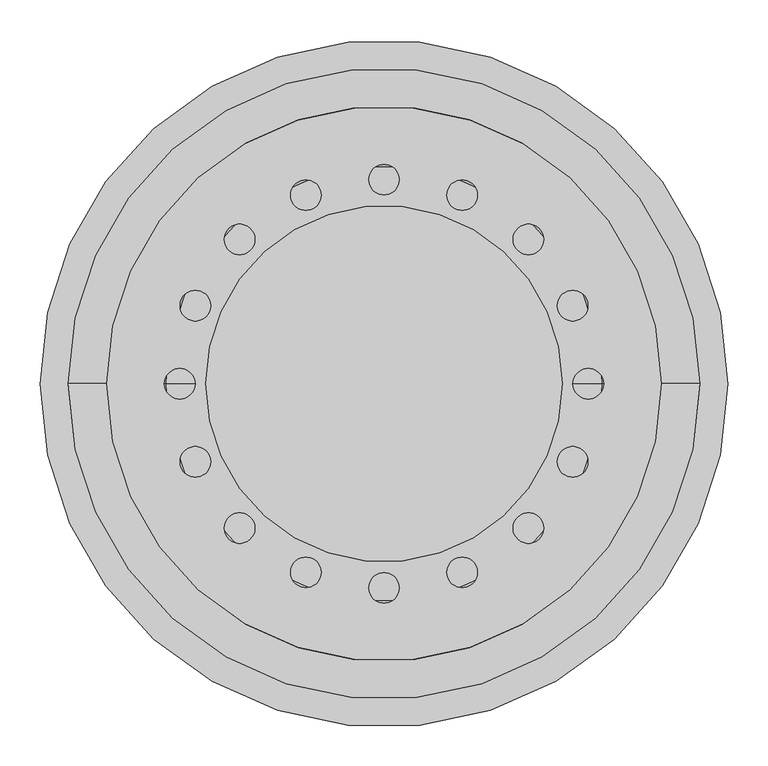
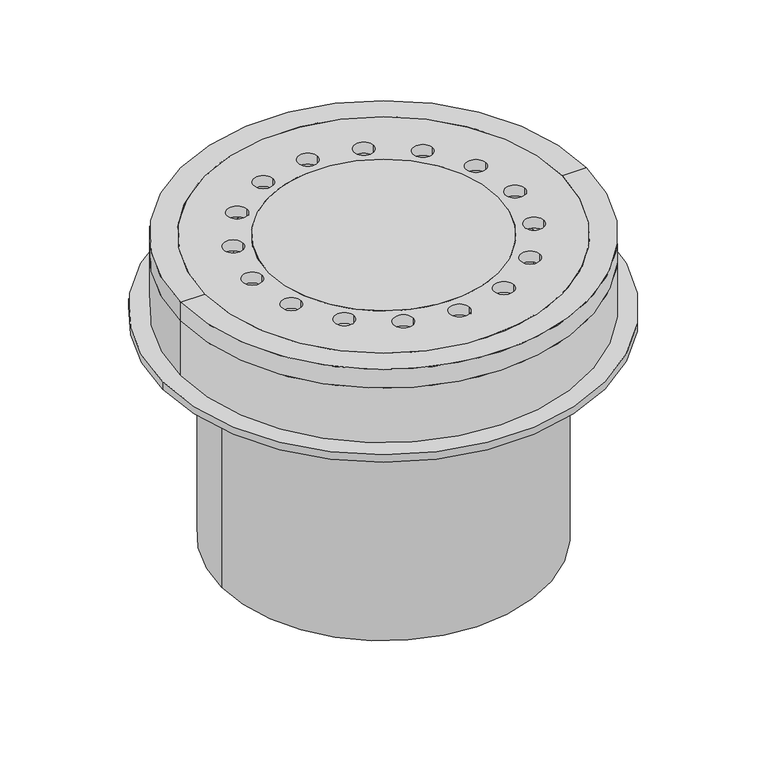
"""IFC4 building model written with IfcOpenShell, lengths in millimetres: proxy geometry."""

from ifc_helpers import new_model, si_unit, point, frame, frame_2d, origin, origin_2d, place, context, project, spatial, polyline, circle_curve, trimmed, segment, composite_curve, outline, extrude, source, transform, mapped, element, save
from ifc_brep_helpers import plane_surface, cylinder_surface, revolved_surface, advanced_brep


def specialty_equipment_2ff22e63(model_context):
    return source(origin(), model_context, "Body", "SolidModel", [
        extrude(outline(composite_curve([segment(trimmed(circle_curve(origin_2d(), 427.5), [point((-427.5, 0.0))], [point((427.5, 0.0))], False, "CARTESIAN"), True, "CONTINUOUS"), segment(trimmed(circle_curve(origin_2d(), 427.5), [point((427.5, 0.0))], [point((-427.5, 0.0))], False, "CARTESIAN"), True, "CONTINUOUS")], self_intersect=False), holes=[composite_curve([segment(trimmed(circle_curve(origin_2d(), 300.0), [point((-300.0, 0.0))], [point((300.0, 0.0))], True, "CARTESIAN"), True, "CONTINUOUS"), segment(trimmed(circle_curve(origin_2d(), 300.0), [point((300.0, 0.0))], [point((-300.0, 0.0))], True, "CARTESIAN"), True, "CONTINUOUS")], self_intersect=False)]), frame((0.0, 0.0, -164.9500624), z_axis=(0.0, 0.0, 1.0), x_axis=(1.0, 0.0, 0.0)), (0.0, 0.0, 1.0), 14.9500624),
        extrude(outline(composite_curve([segment(trimmed(circle_curve(origin_2d(), 313.0), [point((-313.0, 0.0))], [point((313.0, 0.0))], False, "CARTESIAN"), True, "CONTINUOUS"), segment(trimmed(circle_curve(origin_2d(), 313.0), [point((313.0, 0.0))], [point((-313.0, 0.0))], False, "CARTESIAN"), True, "CONTINUOUS")], self_intersect=False), holes=[composite_curve([segment(trimmed(circle_curve(origin_2d(), 300.0), [point((-300.0, 0.0))], [point((300.0, 0.0))], True, "CARTESIAN"), True, "CONTINUOUS"), segment(trimmed(circle_curve(origin_2d(), 300.0), [point((300.0, 0.0))], [point((-300.0, 0.0))], True, "CARTESIAN"), True, "CONTINUOUS")], self_intersect=False)]), frame((0.0, 0.0, -610.0), z_axis=(0.0, 0.0, 1.0), x_axis=(1.0, 0.0, 0.0)), (0.0, 0.0, 1.0), 445.0499376),
        extrude(outline(composite_curve([segment(trimmed(circle_curve(origin_2d(), 427.5), [point((-427.5, 0.0))], [point((427.5, 0.0))], False, "CARTESIAN"), True, "CONTINUOUS"), segment(trimmed(circle_curve(origin_2d(), 427.5), [point((427.5, 0.0))], [point((-427.5, 0.0))], False, "CARTESIAN"), True, "CONTINUOUS")], self_intersect=False), holes=[composite_curve([segment(trimmed(circle_curve(origin_2d(), 300.0), [point((-300.0, 0.0))], [point((300.0, 0.0))], True, "CARTESIAN"), True, "CONTINUOUS"), segment(trimmed(circle_curve(origin_2d(), 300.0), [point((300.0, 0.0))], [point((-300.0, 0.0))], True, "CARTESIAN"), True, "CONTINUOUS")], self_intersect=False)]), frame((0.0, 0.0, -164.9500624), z_axis=(0.0, 0.0, 1.0), x_axis=(1.0, 0.0, 0.0)), (0.0, 0.0, 1.0), 14.9500624),
        extrude(outline(composite_curve([segment(trimmed(circle_curve(origin_2d(), 221.5), [point((-221.5, 0.0))], [point((221.5, 0.0))], False, "CARTESIAN"), True, "CONTINUOUS"), segment(trimmed(circle_curve(origin_2d(), 221.5), [point((221.5, 0.0))], [point((-221.5, 0.0))], False, "CARTESIAN"), True, "CONTINUOUS")], self_intersect=False)), frame((0.0, 0.0, -21.8781268), z_axis=(0.0, 0.0, 1.0), x_axis=(1.0, 0.0, 0.0)), (0.0, 0.0, 1.0), 21.8781268),
        extrude(outline(composite_curve([segment(trimmed(circle_curve(origin_2d(), 345.0), [point((-345.0, 0.0))], [point((345.0, 0.0))], False, "CARTESIAN"), True, "CONTINUOUS"), segment(trimmed(circle_curve(origin_2d(), 345.0), [point((345.0, 0.0))], [point((-345.0, 0.0))], False, "CARTESIAN"), True, "CONTINUOUS")], self_intersect=False), holes=[composite_curve([segment(trimmed(circle_curve(origin_2d(), 221.5), [point((-221.5, 0.0))], [point((221.5, 0.0))], True, "CARTESIAN"), True, "CONTINUOUS"), segment(trimmed(circle_curve(origin_2d(), 221.5), [point((221.5, 0.0))], [point((-221.5, 0.0))], True, "CARTESIAN"), True, "CONTINUOUS")], self_intersect=False), composite_curve([segment(trimmed(circle_curve(frame_2d((-254.0, 0.0)), 19.0), [point((-273.0, 0.0))], [point((-235.0, 0.0))], True, "CARTESIAN"), True, "CONTINUOUS"), segment(trimmed(circle_curve(frame_2d((-254.0, 0.0)), 19.0), [point((-235.0, 0.0))], [point((-273.0, 0.0))], True, "CARTESIAN"), True, "CONTINUOUS")], self_intersect=False), composite_curve([segment(trimmed(circle_curve(frame_2d((-234.6654013, -97.2015918)), 19.0), [point((-253.6654013, -97.2015918))], [point((-215.6654013, -97.2015918))], True, "CARTESIAN"), True, "CONTINUOUS"), segment(trimmed(circle_curve(frame_2d((-234.6654013, -97.2015918)), 19.0), [point((-215.6654013, -97.2015918))], [point((-253.6654013, -97.2015918))], True, "CARTESIAN"), True, "CONTINUOUS")], self_intersect=False), composite_curve([segment(trimmed(circle_curve(frame_2d((-179.6051224, -179.6051224)), 19.0), [point((-198.6051224, -179.6051224))], [point((-160.6051224, -179.6051224))], True, "CARTESIAN"), True, "CONTINUOUS"), segment(trimmed(circle_curve(frame_2d((-179.6051224, -179.6051224)), 19.0), [point((-160.6051224, -179.6051224))], [point((-198.6051224, -179.6051224))], True, "CARTESIAN"), True, "CONTINUOUS")], self_intersect=False), composite_curve([segment(trimmed(circle_curve(frame_2d((-234.6654013, 97.2015918)), 19.0), [point((-253.6654013, 97.2015918))], [point((-215.6654013, 97.2015918))], True, "CARTESIAN"), True, "CONTINUOUS"), segment(trimmed(circle_curve(frame_2d((-234.6654013, 97.2015918)), 19.0), [point((-215.6654013, 97.2015918))], [point((-253.6654013, 97.2015918))], True, "CARTESIAN"), True, "CONTINUOUS")], self_intersect=False), composite_curve([segment(trimmed(circle_curve(frame_2d((-179.6051224, 179.6051224)), 19.0), [point((-198.6051224, 179.6051224))], [point((-160.6051224, 179.6051224))], True, "CARTESIAN"), True, "CONTINUOUS"), segment(trimmed(circle_curve(frame_2d((-179.6051224, 179.6051224)), 19.0), [point((-160.6051224, 179.6051224))], [point((-198.6051224, 179.6051224))], True, "CARTESIAN"), True, "CONTINUOUS")], self_intersect=False), composite_curve([segment(trimmed(circle_curve(frame_2d((-97.2015918, 234.6654013)), 19.0), [point((-116.2015918, 234.6654013))], [point((-78.2015918, 234.6654013))], True, "CARTESIAN"), True, "CONTINUOUS"), segment(trimmed(circle_curve(frame_2d((-97.2015918, 234.6654013)), 19.0), [point((-78.2015918, 234.6654013))], [point((-116.2015918, 234.6654013))], True, "CARTESIAN"), True, "CONTINUOUS")], self_intersect=False), composite_curve([segment(trimmed(circle_curve(frame_2d((0.0, 254.0)), 19.0), [point((-19.0, 254.0))], [point((19.0, 254.0))], True, "CARTESIAN"), True, "CONTINUOUS"), segment(trimmed(circle_curve(frame_2d((0.0, 254.0)), 19.0), [point((19.0, 254.0))], [point((-19.0, 254.0))], True, "CARTESIAN"), True, "CONTINUOUS")], self_intersect=False), composite_curve([segment(trimmed(circle_curve(frame_2d((97.2015918, 234.6654013)), 19.0), [point((78.2015918, 234.6654013))], [point((116.2015918, 234.6654013))], True, "CARTESIAN"), True, "CONTINUOUS"), segment(trimmed(circle_curve(frame_2d((97.2015918, 234.6654013)), 19.0), [point((116.2015918, 234.6654013))], [point((78.2015918, 234.6654013))], True, "CARTESIAN"), True, "CONTINUOUS")], self_intersect=False), composite_curve([segment(trimmed(circle_curve(frame_2d((179.6051224, 179.6051224)), 19.0), [point((160.6051224, 179.6051224))], [point((198.6051224, 179.6051224))], True, "CARTESIAN"), True, "CONTINUOUS"), segment(trimmed(circle_curve(frame_2d((179.6051224, 179.6051224)), 19.0), [point((198.6051224, 179.6051224))], [point((160.6051224, 179.6051224))], True, "CARTESIAN"), True, "CONTINUOUS")], self_intersect=False), composite_curve([segment(trimmed(circle_curve(frame_2d((234.6654013, 97.2015918)), 19.0), [point((215.6654013, 97.2015918))], [point((253.6654013, 97.2015918))], True, "CARTESIAN"), True, "CONTINUOUS"), segment(trimmed(circle_curve(frame_2d((234.6654013, 97.2015918)), 19.0), [point((253.6654013, 97.2015918))], [point((215.6654013, 97.2015918))], True, "CARTESIAN"), True, "CONTINUOUS")], self_intersect=False), composite_curve([segment(trimmed(circle_curve(frame_2d((254.0, 0.0)), 19.0), [point((235.0, 0.0))], [point((273.0, 0.0))], True, "CARTESIAN"), True, "CONTINUOUS"), segment(trimmed(circle_curve(frame_2d((254.0, 0.0)), 19.0), [point((273.0, 0.0))], [point((235.0, 0.0))], True, "CARTESIAN"), True, "CONTINUOUS")], self_intersect=False), composite_curve([segment(trimmed(circle_curve(frame_2d((234.6654013, -97.2015918)), 19.0), [point((215.6654013, -97.2015918))], [point((253.6654013, -97.2015918))], True, "CARTESIAN"), True, "CONTINUOUS"), segment(trimmed(circle_curve(frame_2d((234.6654013, -97.2015918)), 19.0), [point((253.6654013, -97.2015918))], [point((215.6654013, -97.2015918))], True, "CARTESIAN"), True, "CONTINUOUS")], self_intersect=False), composite_curve([segment(trimmed(circle_curve(frame_2d((179.6051224, -179.6051224)), 19.0), [point((160.6051224, -179.6051224))], [point((198.6051224, -179.6051224))], True, "CARTESIAN"), True, "CONTINUOUS"), segment(trimmed(circle_curve(frame_2d((179.6051224, -179.6051224)), 19.0), [point((198.6051224, -179.6051224))], [point((160.6051224, -179.6051224))], True, "CARTESIAN"), True, "CONTINUOUS")], self_intersect=False), composite_curve([segment(trimmed(circle_curve(frame_2d((97.2015918, -234.6654013)), 19.0), [point((78.2015918, -234.6654013))], [point((116.2015918, -234.6654013))], True, "CARTESIAN"), True, "CONTINUOUS"), segment(trimmed(circle_curve(frame_2d((97.2015918, -234.6654013)), 19.0), [point((116.2015918, -234.6654013))], [point((78.2015918, -234.6654013))], True, "CARTESIAN"), True, "CONTINUOUS")], self_intersect=False), composite_curve([segment(trimmed(circle_curve(frame_2d((0.0, -254.0)), 19.0), [point((-19.0, -254.0))], [point((19.0, -254.0))], True, "CARTESIAN"), True, "CONTINUOUS"), segment(trimmed(circle_curve(frame_2d((0.0, -254.0)), 19.0), [point((19.0, -254.0))], [point((-19.0, -254.0))], True, "CARTESIAN"), True, "CONTINUOUS")], self_intersect=False), composite_curve([segment(trimmed(circle_curve(frame_2d((-97.2015918, -234.6654013)), 19.0), [point((-116.2015918, -234.6654013))], [point((-78.2015918, -234.6654013))], True, "CARTESIAN"), True, "CONTINUOUS"), segment(trimmed(circle_curve(frame_2d((-97.2015918, -234.6654013)), 19.0), [point((-78.2015918, -234.6654013))], [point((-116.2015918, -234.6654013))], True, "CARTESIAN"), True, "CONTINUOUS")], self_intersect=False)]), frame((0.0, 0.0, -21.8781268), z_axis=(0.0, 0.0, 1.0), x_axis=(1.0, 0.0, 0.0)), (0.0, 0.0, 1.0), 21.8781268),
        advanced_brep(
        [(0.0, 0.0, -233.7273458), (275.0411357, 0.0, -233.7273458), (-275.0411357, 0.0, -233.7273458), (298.3348498, 0.0, -146.7940215), (293.1584688, 0.0, -146.7940215), (-293.1584688, 0.0, -146.7940215), (-298.3348498, 0.0, -146.7940215), (271.2045008, 0.0, -228.7273458), (0.0, 0.0, -228.7273458), (-271.2045008, 0.0, -228.7273458)],
        [
            (0, 1),
            (1, 2, circle_curve(frame((0.0, 0.0, -233.7273458), z_axis=(0.0, 0.0, -1.0), x_axis=(-1.0, 0.0, 0.0)), 275.0411357)),
            (2, 0),
            (2, 1, circle_curve(frame((0.0, 0.0, -233.7273458), z_axis=(0.0, 0.0, -1.0), x_axis=(-1.0, 0.0, 0.0)), 275.0411357)),
            (3, 4),
            (4, 5, circle_curve(frame((0.0, 0.0, -146.7940215), z_axis=(0.0, 0.0, -1.0), x_axis=(-1.0, 0.0, 0.0)), 293.1584688)),
            (5, 6),
            (6, 3, circle_curve(frame((0.0, 0.0, -146.7940215), z_axis=(0.0, 0.0, 1.0), x_axis=(-1.0, 0.0, 0.0)), 298.3348498)),
            (5, 4, circle_curve(frame((0.0, 0.0, -146.7940215), z_axis=(0.0, 0.0, -1.0), x_axis=(-1.0, 0.0, 0.0)), 293.1584688)),
            (3, 6, circle_curve(frame((0.0, 0.0, -146.7940215), z_axis=(0.0, 0.0, 1.0), x_axis=(-1.0, 0.0, 0.0)), 298.3348498)),
            (1, 3),
            (6, 2),
            (7, 8),
            (8, 9),
            (9, 7, circle_curve(frame((0.0, 0.0, -228.7273458), z_axis=(0.0, 0.0, 1.0), x_axis=(-1.0, 0.0, 0.0)), 271.2045008)),
            (7, 9, circle_curve(frame((0.0, 0.0, -228.7273458), z_axis=(0.0, 0.0, 1.0), x_axis=(-1.0, 0.0, 0.0)), 271.2045008)),
            (4, 7),
            (9, 5),
        ],
        [
            plane_surface(frame((0.0, 0.0, -233.7273458), z_axis=(0.0, 0.0, -1.0), x_axis=(-1.0, 0.0, 0.0))),
            plane_surface(frame((0.0, 0.0, -146.7940215), z_axis=(0.0, 0.0, 1.0), x_axis=(-1.0, 0.0, 0.0))),
            revolved_surface(polyline([(-298.3348498, 0.0, -146.7940215), (-275.0411357, 0.0, -233.7273458)]), (0.0, 0.0, -273.7273458), (0.0, 0.0, -1.0)),
            plane_surface(frame((0.0, 0.0, -228.7273458), z_axis=(0.0, 0.0, 1.0), x_axis=(-1.0, 0.0, 0.0))),
            revolved_surface(polyline([(-271.2045008, 0.0, -228.7273458), (-293.1584688, 0.0, -146.7940215)]), (0.0, 0.0, -273.7273458), (0.0, 0.0, -1.0)),
        ],
        [
            (0, [[1, 2, 3]]),
            (0, [[-3, 4, -1]]),
            (1, [[5, 6, 7, 8]]),
            (1, [[-7, 9, -5, 10]]),
            (2, [[11, -8, 12, -2]]),
            (2, [[-12, -10, -11, -4]]),
            (3, [[13, 14, 15]]),
            (3, [[-14, -13, 16]]),
            (4, [[17, -15, 18, -6]]),
            (4, [[-18, -16, -17, -9]]),
        ],
    ),
        advanced_brep(
        [(392.5, 0.0, -38.0), (392.5, 0.0, 0.0), (-392.5, 0.0, 0.0), (-392.5, 0.0, -38.0), (345.414625, 0.0, -38.0), (-345.414625, 0.0, -38.0), (345.414625, 0.0, 0.0), (-345.414625, 0.0, 0.0)],
        [
            (0, 1),
            (1, 2, circle_curve(frame((0.0, 0.0, 0.0), z_axis=(0.0, 0.0, -1.0), x_axis=(-1.0, 0.0, 0.0)), 392.5)),
            (2, 3),
            (3, 0, circle_curve(frame((0.0, 0.0, -38.0), z_axis=(0.0, 0.0, 1.0), x_axis=(-1.0, 0.0, 0.0)), 392.5)),
            (2, 1, circle_curve(frame((0.0, 0.0, 0.0), z_axis=(0.0, 0.0, -1.0), x_axis=(-1.0, 0.0, 0.0)), 392.5)),
            (0, 3, circle_curve(frame((0.0, 0.0, -38.0), z_axis=(0.0, 0.0, 1.0), x_axis=(-1.0, 0.0, 0.0)), 392.5)),
            (4, 0),
            (3, 5),
            (5, 4, circle_curve(frame((0.0, 0.0, -38.0), z_axis=(0.0, 0.0, 1.0), x_axis=(-1.0, 0.0, 0.0)), 345.414625)),
            (4, 5, circle_curve(frame((0.0, 0.0, -38.0), z_axis=(0.0, 0.0, 1.0), x_axis=(-1.0, 0.0, 0.0)), 345.414625)),
            (1, 6),
            (6, 7, circle_curve(frame((0.0, 0.0, 0.0), z_axis=(0.0, 0.0, -1.0), x_axis=(-1.0, 0.0, 0.0)), 345.414625)),
            (7, 2),
            (7, 6, circle_curve(frame((0.0, 0.0, 0.0), z_axis=(0.0, 0.0, -1.0), x_axis=(-1.0, 0.0, 0.0)), 345.414625)),
            (6, 4),
            (5, 7),
        ],
        [
            cylinder_surface(frame((0.0, 0.0, 417.0), z_axis=(0.0, 0.0, -1.0), x_axis=(-1.0, 0.0, 0.0)), 392.5),
            plane_surface(frame((0.0, 0.0, -38.0), z_axis=(0.0, 0.0, -1.0), x_axis=(-1.0, 0.0, 0.0))),
            plane_surface(frame((0.0, 0.0, 0.0), z_axis=(0.0, 0.0, 1.0), x_axis=(-1.0, 0.0, 0.0))),
            revolved_surface(polyline([(-345.414625, 0.0, -38.0), (-345.414625, 0.0, 0.0)]), (0.0, 0.0, 417.0), (0.0, 0.0, -1.0)),
        ],
        [
            (0, [[1, 2, 3, 4]]),
            (0, [[-3, 5, -1, 6]]),
            (1, [[7, -4, 8, 9]]),
            (1, [[-8, -6, -7, 10]]),
            (2, [[11, 12, 13, -2]]),
            (2, [[-13, 14, -11, -5]]),
            (3, [[15, -9, 16, -12]]),
            (3, [[-16, -10, -15, -14]]),
        ],
    ),
        advanced_brep(
        [(392.5, 0.0, -150.0), (392.5, 0.0, -38.0), (-392.5, 0.0, -38.0), (-392.5, 0.0, -150.0), (313.9173801, 0.0, -150.0), (-313.9173801, 0.0, -150.0), (313.9173801, 0.0, -119.9866175), (-313.9173801, 0.0, -119.9866175), (328.9173801, 0.0, -119.9866175), (-328.9173801, 0.0, -119.9866175), (345.414625, 0.0, -38.0), (-345.414625, 0.0, -38.0)],
        [
            (0, 1),
            (1, 2, circle_curve(frame((0.0, 0.0, -38.0), z_axis=(0.0, 0.0, -1.0), x_axis=(-1.0, 0.0, 0.0)), 392.5)),
            (2, 3),
            (3, 0, circle_curve(frame((0.0, 0.0, -150.0), z_axis=(0.0, 0.0, 1.0), x_axis=(-1.0, 0.0, 0.0)), 392.5)),
            (2, 1, circle_curve(frame((0.0, 0.0, -38.0), z_axis=(0.0, 0.0, -1.0), x_axis=(-1.0, 0.0, 0.0)), 392.5)),
            (0, 3, circle_curve(frame((0.0, 0.0, -150.0), z_axis=(0.0, 0.0, 1.0), x_axis=(-1.0, 0.0, 0.0)), 392.5)),
            (4, 0),
            (3, 5),
            (5, 4, circle_curve(frame((0.0, 0.0, -150.0), z_axis=(0.0, 0.0, 1.0), x_axis=(-1.0, 0.0, 0.0)), 313.9173801)),
            (4, 5, circle_curve(frame((0.0, 0.0, -150.0), z_axis=(0.0, 0.0, 1.0), x_axis=(-1.0, 0.0, 0.0)), 313.9173801)),
            (6, 4),
            (5, 7),
            (7, 6, circle_curve(frame((0.0, 0.0, -119.9866175), z_axis=(0.0, 0.0, 1.0), x_axis=(-1.0, 0.0, 0.0)), 313.9173801)),
            (6, 7, circle_curve(frame((0.0, 0.0, -119.9866175), z_axis=(0.0, 0.0, 1.0), x_axis=(-1.0, 0.0, 0.0)), 313.9173801)),
            (8, 6),
            (7, 9),
            (9, 8, circle_curve(frame((0.0, 0.0, -119.9866175), z_axis=(0.0, 0.0, 1.0), x_axis=(-1.0, 0.0, 0.0)), 328.9173801)),
            (8, 9, circle_curve(frame((0.0, 0.0, -119.9866175), z_axis=(0.0, 0.0, 1.0), x_axis=(-1.0, 0.0, 0.0)), 328.9173801)),
            (10, 8),
            (9, 11),
            (11, 10, circle_curve(frame((0.0, 0.0, -38.0), z_axis=(0.0, 0.0, 1.0), x_axis=(-1.0, 0.0, 0.0)), 345.414625)),
            (10, 11, circle_curve(frame((0.0, 0.0, -38.0), z_axis=(0.0, 0.0, 1.0), x_axis=(-1.0, 0.0, 0.0)), 345.414625)),
            (1, 10),
            (11, 2),
        ],
        [
            cylinder_surface(frame((0.0, 0.0, 340.0), z_axis=(0.0, 0.0, -1.0), x_axis=(-1.0, 0.0, 0.0)), 392.5),
            plane_surface(frame((0.0, 0.0, -150.0), z_axis=(0.0, 0.0, -1.0), x_axis=(-1.0, 0.0, 0.0))),
            revolved_surface(polyline([(-313.9173801, 0.0, -150.0), (-313.9173801, 0.0, -119.98661749999997)]), (0.0, 0.0, 340.0), (0.0, 0.0, -1.0)),
            plane_surface(frame((0.0, 0.0, -119.9866175), z_axis=(0.0, 0.0, 1.0), x_axis=(-1.0, 0.0, 0.0))),
            revolved_surface(polyline([(-328.9173801, 0.0, -119.9866175), (-345.414625, 0.0, -38.0)]), (0.0, 0.0, 340.0), (0.0, 0.0, -1.0)),
            plane_surface(frame((0.0, 0.0, -38.0), z_axis=(0.0, 0.0, 1.0), x_axis=(-1.0, 0.0, 0.0))),
        ],
        [
            (0, [[1, 2, 3, 4]]),
            (0, [[-3, 5, -1, 6]]),
            (1, [[7, -4, 8, 9]]),
            (1, [[-8, -6, -7, 10]]),
            (2, [[11, -9, 12, 13]]),
            (2, [[-12, -10, -11, 14]]),
            (3, [[15, -13, 16, 17]]),
            (3, [[-16, -14, -15, 18]]),
            (4, [[19, -17, 20, 21]]),
            (4, [[-20, -18, -19, 22]]),
            (5, [[23, -21, 24, -2]]),
            (5, [[-24, -22, -23, -5]]),
        ],
    ),
        extrude(outline(polyline([(0.0, 0.0), (-103.6001836, 0.0), (-97.7366645, 23.9391061), (0.0, 0.0)])), frame((-398.2796389, 111.734368, -164.9500624), z_axis=(0.2817325568411387, 0.959492973614583, 0.0), x_axis=(-0.9319450222341505, 0.27364374848967477, 0.2379024473298002)), (0.0, 0.0, 1.0), 10.0),
        extrude(outline(polyline([(-100.6257242, 0.0), (0.0, 24.6467372), (0.0, 0.0), (-100.6257242, 0.0)])), frame((-208.7501576, 233.2753131, -164.9500624), z_axis=(0.7557495743540761, 0.6548607339454953, 0.0), x_axis=(0.6548607339454953, -0.7557495743540761, 0.0)), (0.0, 0.0, 1.0), 10.0),
        extrude(outline(polyline([(-42.0990731, 0.0), (-42.0990731, 100.6257242), (-17.0491355, 0.0), (-42.0990731, 0.0)])), frame((-266.0155599, 165.0143082, -207.0491355), z_axis=(0.5406408174553543, 0.8412535328313376, 0.0), x_axis=(0.0, 0.0, -1.0)), (0.0, 0.0, 1.0), 10.0),
        extrude(outline(polyline([(-42.0990731, 0.0), (-42.0990731, 100.6257242), (-17.0491355, 0.0), (-42.0990731, 0.0)])), frame((-134.573059, 282.6377395, -207.0491355), z_axis=(0.9096319953544103, 0.41541501300212325, 0.0), x_axis=(0.0, 0.0, -1.0)), (0.0, 0.0, 1.0), 10.0),
        extrude(outline(polyline([(0.0, 0.0), (-103.6001836, 0.0), (-97.7366645, 23.9391061), (0.0, 0.0)])), frame((-63.8141853, 408.7040366, -164.9500624), z_axis=(0.989821441880898, 0.14231483827352703, 0.0), x_axis=(-0.1382288445734335, 0.9614027314722929, 0.23790244732979932)), (0.0, 0.0, 1.0), 10.0),
        extrude(outline(polyline([(-164.9500624, 413.6257242), (-164.9500624, 313.0), (-189.5967996, 313.0), (-164.9500624, 413.6257242)])), frame((0.0, -5.0, 0.0), z_axis=(0.0, 1.0, 0.0), x_axis=(0.0, 0.0, 1.0)), (0.0, 0.0, 1.0), 10.0),
        extrude(outline(polyline([(42.0990731, 0.0), (17.0491355, 0.0), (42.0990731, 100.6257241), (42.0990731, 0.0)])), frame((298.912638, -92.9797552, -207.0491355), z_axis=(0.2817325568412944, 0.9594929736145372, 0.0), x_axis=(0.0, 0.0, 1.0)), (0.0, 0.0, 1.0), 10.0),
        extrude(outline(polyline([(0.0, 0.0), (97.7366644, 23.9391061), (103.6001835, 0.0), (0.0, 0.0)])), frame((345.2608977, -227.8292173, -164.9500624), z_axis=(0.5406408174554922, 0.8412535328312489, 0.0), x_axis=(-0.8171003477029112, 0.5251185078991913, -0.23790244732980065)), (0.0, 0.0, 1.0), 10.0),
        extrude(outline(polyline([(0.0, 0.0), (97.7366644, 23.9391061), (103.6001835, 0.0), (0.0, 0.0)])), frame((350.6673059, 219.416682, -164.9500624), z_axis=(-0.5406408174557529, 0.8412535328310813, 0.0), x_axis=(-0.8171003477027488, -0.5251185078994447, -0.23790244732979948)), (0.0, 0.0, 1.0), 10.0),
        extrude(outline(polyline([(0.0, 0.0), (0.0, 25.0499376), (100.6257243, 0.0), (0.0, 0.0)])), frame((301.7299635, 83.3848254, -164.9500624), z_axis=(-0.28173255684159587, 0.9594929736144486, 0.0), x_axis=(0.9594929736144486, 0.28173255684159587, 0.0)), (0.0, 0.0, 1.0), 10.0),
        extrude(outline(polyline([(0.0, 0.0), (0.0, 25.0499376), (100.6257242, 0.0), (0.0, 0.0)])), frame((208.7501576, 233.2753131, -164.9500624), z_axis=(-0.7557495743543907, 0.6548607339451322, 0.0), x_axis=(0.6548607339451322, 0.7557495743543907, 0.0)), (0.0, 0.0, 1.0), 10.0),
        extrude(outline(polyline([(100.6257242, 0.0), (0.0, 0.0), (0.0, 24.6467372), (100.6257242, 0.0)])), frame((134.573059, 282.6377395, -164.9500624), z_axis=(-0.9096319953546089, 0.4154150130016881, 0.0), x_axis=(0.4154150130016881, 0.9096319953546089, 0.0)), (0.0, 0.0, 1.0), 10.0),
        extrude(outline(polyline([(42.0990731, 0.0), (17.0491355, 0.0), (42.0990731, 100.6257243), (42.0990731, 0.0)])), frame((49.4936516, 309.1025371, -207.0491355), z_axis=(-0.9898214418809654, 0.14231483827305813, 0.0), x_axis=(0.0, 0.0, 1.0)), (0.0, 0.0, 1.0), 10.0),
        extrude(outline(polyline([(0.0, 0.0), (-103.6001836, 0.0), (-97.7366645, 23.9391061), (0.0, 0.0)])), frame((-53.9159708, -410.127185, -164.9500624), z_axis=(-0.9898214418809428, 0.1423148382732152, 0.0), x_axis=(-0.13822884457313062, -0.9614027314723362, 0.23790244732980018)), (0.0, 0.0, 1.0), 10.0),
        extrude(outline(polyline([(0.0, 0.0), (0.0, 25.0499376), (100.6257243, 0.0), (0.0, 0.0)])), frame((39.5954372, -310.5256855, -164.9500624), z_axis=(0.9898214418809201, 0.1423148382733727, 0.0), x_axis=(0.1423148382733727, -0.9898214418809201, 0.0)), (0.0, 0.0, 1.0), 10.0),
        extrude(outline(polyline([(100.6257242, 0.0), (0.0, 0.0), (0.0, 24.6467372), (100.6257242, 0.0)])), frame((125.4767391, -286.7918896, -164.9500624), z_axis=(0.909631995354475, 0.41541501300198136, 0.0), x_axis=(0.41541501300198136, -0.909631995354475, 0.0)), (0.0, 0.0, 1.0), 10.0),
        extrude(outline(polyline([(42.0990731, 0.0), (17.0491355, 0.0), (42.0990731, 100.6257242), (42.0990731, 0.0)])), frame((201.1926619, -239.8239204, -207.0491355), z_axis=(0.7557495743541826, 0.6548607339453725, 0.0), x_axis=(0.0, 0.0, 1.0)), (0.0, 0.0, 1.0), 10.0),
        extrude(outline(polyline([(-100.6257242, 0.0), (0.0, 24.6467372), (0.0, 0.0), (-100.6257242, 0.0)])), frame((-201.1926619, -239.8239204, -164.9500624), z_axis=(-0.7557495743542878, 0.6548607339452511, 0.0), x_axis=(0.6548607339452511, 0.7557495743542878, 0.0)), (0.0, 0.0, 1.0), 10.0),
        extrude(outline(polyline([(-42.0990731, 0.0), (-42.0990731, 100.6257242), (-17.0491355, 0.0), (-42.0990731, 0.0)])), frame((-125.4767391, -286.7918896, -207.0491355), z_axis=(-0.9096319953545418, 0.41541501300183514, 0.0), x_axis=(0.0, 0.0, -1.0)), (0.0, 0.0, 1.0), 10.0),
        extrude(outline(polyline([(-42.0990731, 0.0), (-42.0990731, 100.6257242), (-17.0491355, 0.0), (-42.0990731, 0.0)])), frame((-260.6091517, -173.4268435, -207.0491355), z_axis=(-0.5406408174556205, 0.8412535328311666, 0.0), x_axis=(0.0, 0.0, -1.0)), (0.0, 0.0, 1.0), 10.0),
        extrude(outline(composite_curve([segment(polyline([(-260.5755532, 173.4052511), (-281.6093769, 186.9228688)]), True, "CONTINUOUS"), segment(trimmed(circle_curve(origin_2d(), 338.0), [point((-281.6093769, 186.9228688))], [point((-225.0974564, 252.1411016))], False, "CARTESIAN"), True, "CONTINUOUS"), segment(polyline([(-225.0974564, 252.1411016), (-208.7240033, 233.2451295)]), True, "CONTINUOUS"), segment(trimmed(circle_curve(origin_2d(), 313.0), [point((-208.7240033, 233.2451295))], [point((-260.5755532, 173.4052511))], True, "CARTESIAN"), True, "CONTINUOUS")], self_intersect=False)), frame((0.0, 0.0, -169.9500624), z_axis=(0.0, 0.0, 1.0), x_axis=(1.0, 0.0, 0.0)), (0.0, 0.0, 1.0), 5.0),
        extrude(outline(composite_curve([segment(trimmed(circle_curve(origin_2d(), 313.0), [point((-265.9819613, 164.9927157))], [point((-298.8743171, 92.9685031))], True, "CARTESIAN"), True, "CONTINUOUS"), segment(polyline([(-298.8743171, 92.9685031), (-322.8644761, 100.0126494)]), True, "CONTINUOUS"), segment(trimmed(circle_curve(origin_2d(), 338.0), [point((-322.8644761, 100.0126494))], [point((-287.015785, 178.5103334))], False, "CARTESIAN"), True, "CONTINUOUS"), segment(polyline([(-287.015785, 178.5103334), (-265.9819613, 164.9927157)]), True, "CONTINUOUS")], self_intersect=False)), frame((0.0, 0.0, -169.9500624), z_axis=(0.0, 0.0, 1.0), x_axis=(1.0, 0.0, 0.0)), (0.0, 0.0, 1.0), 5.0),
        extrude(outline(composite_curve([segment(trimmed(circle_curve(origin_2d(), 313.0), [point((-312.9600613, -5.0))], [point((-301.6916427, -83.3735734))], True, "CARTESIAN"), True, "CONTINUOUS"), segment(polyline([(-301.6916427, -83.3735734), (-325.6818017, -90.4177197)]), True, "CONTINUOUS"), segment(trimmed(circle_curve(origin_2d(), 338.0), [point((-325.6818017, -90.4177197))], [point((-337.9630157, -5.0))], False, "CARTESIAN"), True, "CONTINUOUS"), segment(polyline([(-337.9630157, -5.0), (-312.9600613, -5.0)]), True, "CONTINUOUS")], self_intersect=False)), frame((0.0, 0.0, -169.9500624), z_axis=(0.0, 0.0, 1.0), x_axis=(1.0, 0.0, 0.0)), (0.0, 0.0, 1.0), 5.0),
        extrude(outline(composite_curve([segment(polyline([(-312.9600613, 5.0), (-337.9630157, 5.0)]), True, "CONTINUOUS"), segment(trimmed(circle_curve(origin_2d(), 338.0), [point((-337.9630157, 5.0))], [point((-325.6818017, 90.4177197))], False, "CARTESIAN"), True, "CONTINUOUS"), segment(polyline([(-325.6818017, 90.4177197), (-301.6916427, 83.3735734)]), True, "CONTINUOUS"), segment(trimmed(circle_curve(origin_2d(), 313.0), [point((-301.6916427, 83.3735734))], [point((-312.9600613, 5.0))], True, "CARTESIAN"), True, "CONTINUOUS")], self_intersect=False)), frame((0.0, 0.0, -169.9500624), z_axis=(0.0, 0.0, 1.0), x_axis=(1.0, 0.0, 0.0)), (0.0, 0.0, 1.0), 5.0),
        extrude(outline(composite_curve([segment(polyline([(-265.9819613, -164.9927157), (-287.015785, -178.5103334)]), True, "CONTINUOUS"), segment(trimmed(circle_curve(origin_2d(), 338.0), [point((-287.015785, -178.5103334))], [point((-322.8644761, -100.0126494))], False, "CARTESIAN"), True, "CONTINUOUS"), segment(polyline([(-322.8644761, -100.0126494), (-298.8743171, -92.9685031)]), True, "CONTINUOUS"), segment(trimmed(circle_curve(origin_2d(), 313.0), [point((-298.8743171, -92.9685031))], [point((-265.9819613, -164.9927157))], True, "CARTESIAN"), True, "CONTINUOUS")], self_intersect=False)), frame((0.0, 0.0, -169.9500624), z_axis=(0.0, 0.0, 1.0), x_axis=(1.0, 0.0, 0.0)), (0.0, 0.0, 1.0), 5.0),
        extrude(outline(composite_curve([segment(trimmed(circle_curve(origin_2d(), 313.0), [point((-260.5755532, -173.4052511))], [point((-208.7240033, -233.2451295))], True, "CARTESIAN"), True, "CONTINUOUS"), segment(polyline([(-208.7240033, -233.2451295), (-225.0974564, -252.1411016)]), True, "CONTINUOUS"), segment(trimmed(circle_curve(origin_2d(), 338.0), [point((-225.0974564, -252.1411016))], [point((-281.6093769, -186.9228688))], False, "CARTESIAN"), True, "CONTINUOUS"), segment(polyline([(-281.6093769, -186.9228688), (-260.5755532, -173.4052511)]), True, "CONTINUOUS")], self_intersect=False)), frame((0.0, 0.0, -169.9500624), z_axis=(0.0, 0.0, 1.0), x_axis=(1.0, 0.0, 0.0)), (0.0, 0.0, 1.0), 5.0),
        extrude(outline(composite_curve([segment(trimmed(circle_curve(origin_2d(), 313.0), [point((208.7240033, -233.2451295))], [point((260.5755532, -173.4052511))], True, "CARTESIAN"), True, "CONTINUOUS"), segment(polyline([(260.5755532, -173.4052511), (281.6093769, -186.9228688)]), True, "CONTINUOUS"), segment(trimmed(circle_curve(origin_2d(), 338.0), [point((281.6093769, -186.9228688))], [point((225.0974564, -252.1411016))], False, "CARTESIAN"), True, "CONTINUOUS"), segment(polyline([(225.0974564, -252.1411016), (208.7240033, -233.2451295)]), True, "CONTINUOUS")], self_intersect=False)), frame((0.0, 0.0, -169.9500624), z_axis=(0.0, 0.0, 1.0), x_axis=(1.0, 0.0, 0.0)), (0.0, 0.0, 1.0), 5.0),
        extrude(outline(composite_curve([segment(polyline([(201.1665076, -239.7937368), (217.5399607, -258.689709)]), True, "CONTINUOUS"), segment(trimmed(circle_curve(origin_2d(), 338.0), [point((217.5399607, -258.689709))], [point((144.9430705, -305.3448973))], False, "CARTESIAN"), True, "CONTINUOUS"), segment(polyline([(144.9430705, -305.3448973), (134.5564679, -282.60141)]), True, "CONTINUOUS"), segment(trimmed(circle_curve(origin_2d(), 313.0), [point((134.5564679, -282.60141))], [point((201.1665076, -239.7937368))], True, "CARTESIAN"), True, "CONTINUOUS")], self_intersect=False)), frame((0.0, 0.0, -169.9500624), z_axis=(0.0, 0.0, 1.0), x_axis=(1.0, 0.0, 0.0)), (0.0, 0.0, 1.0), 5.0),
        extrude(outline(composite_curve([segment(polyline([(39.5897533, -310.4861534), (43.1480447, -335.2346137)]), True, "CONTINUOUS"), segment(trimmed(circle_curve(origin_2d(), 338.0), [point((43.1480447, -335.2346137))], [point((-43.1480447, -335.2346137))], False, "CARTESIAN"), True, "CONTINUOUS"), segment(polyline([(-43.1480447, -335.2346137), (-39.5897533, -310.4861534)]), True, "CONTINUOUS"), segment(trimmed(circle_curve(origin_2d(), 313.0), [point((-39.5897533, -310.4861534))], [point((39.5897533, -310.4861534))], True, "CARTESIAN"), True, "CONTINUOUS")], self_intersect=False)), frame((0.0, 0.0, -169.9500624), z_axis=(0.0, 0.0, 1.0), x_axis=(1.0, 0.0, 0.0)), (0.0, 0.0, 1.0), 5.0),
        extrude(outline(composite_curve([segment(trimmed(circle_curve(origin_2d(), 313.0), [point((49.4879677, -309.063005))], [point((125.460148, -286.7555601))], True, "CARTESIAN"), True, "CONTINUOUS"), segment(polyline([(125.460148, -286.7555601), (135.8467506, -309.4990474)]), True, "CONTINUOUS"), segment(trimmed(circle_curve(origin_2d(), 338.0), [point((135.8467506, -309.4990474))], [point((53.0462591, -333.8114653))], False, "CARTESIAN"), True, "CONTINUOUS"), segment(polyline([(53.0462591, -333.8114653), (49.4879677, -309.063005)]), True, "CONTINUOUS")], self_intersect=False)), frame((0.0, 0.0, -169.9500624), z_axis=(0.0, 0.0, 1.0), x_axis=(1.0, 0.0, 0.0)), (0.0, 0.0, 1.0), 5.0),
        extrude(outline(composite_curve([segment(trimmed(circle_curve(origin_2d(), 313.0), [point((-125.460148, -286.7555601))], [point((-49.4879677, -309.063005))], True, "CARTESIAN"), True, "CONTINUOUS"), segment(polyline([(-49.4879677, -309.063005), (-53.0462591, -333.8114653)]), True, "CONTINUOUS"), segment(trimmed(circle_curve(origin_2d(), 338.0), [point((-53.0462591, -333.8114653))], [point((-135.8467506, -309.4990474))], False, "CARTESIAN"), True, "CONTINUOUS"), segment(polyline([(-135.8467506, -309.4990474), (-125.460148, -286.7555601)]), True, "CONTINUOUS")], self_intersect=False)), frame((0.0, 0.0, -169.9500624), z_axis=(0.0, 0.0, 1.0), x_axis=(1.0, 0.0, 0.0)), (0.0, 0.0, 1.0), 5.0),
        extrude(outline(composite_curve([segment(polyline([(-134.5564679, -282.60141), (-144.9430705, -305.3448973)]), True, "CONTINUOUS"), segment(trimmed(circle_curve(origin_2d(), 338.0), [point((-144.9430705, -305.3448973))], [point((-217.5399607, -258.689709))], False, "CARTESIAN"), True, "CONTINUOUS"), segment(polyline([(-217.5399607, -258.689709), (-201.1665076, -239.7937368)]), True, "CONTINUOUS"), segment(trimmed(circle_curve(origin_2d(), 313.0), [point((-201.1665076, -239.7937368))], [point((-134.5564679, -282.60141))], True, "CARTESIAN"), True, "CONTINUOUS")], self_intersect=False)), frame((0.0, 0.0, -169.9500624), z_axis=(0.0, 0.0, 1.0), x_axis=(1.0, 0.0, 0.0)), (0.0, 0.0, 1.0), 5.0),
        extrude(outline(composite_curve([segment(polyline([(298.8743171, -92.9685031), (322.8644761, -100.0126494)]), True, "CONTINUOUS"), segment(trimmed(circle_curve(origin_2d(), 338.0), [point((322.8644761, -100.0126494))], [point((287.015785, -178.5103334))], False, "CARTESIAN"), True, "CONTINUOUS"), segment(polyline([(287.015785, -178.5103334), (265.9819613, -164.9927157)]), True, "CONTINUOUS"), segment(trimmed(circle_curve(origin_2d(), 313.0), [point((265.9819613, -164.9927157))], [point((298.8743171, -92.9685031))], True, "CARTESIAN"), True, "CONTINUOUS")], self_intersect=False)), frame((0.0, 0.0, -169.9500624), z_axis=(0.0, 0.0, 1.0), x_axis=(1.0, 0.0, 0.0)), (0.0, 0.0, 1.0), 5.0),
        extrude(outline(composite_curve([segment(trimmed(circle_curve(origin_2d(), 313.0), [point((301.6916427, -83.3735734))], [point((312.9600613, -5.0))], True, "CARTESIAN"), True, "CONTINUOUS"), segment(polyline([(312.9600613, -5.0), (337.9630157, -5.0)]), True, "CONTINUOUS"), segment(trimmed(circle_curve(origin_2d(), 338.0), [point((337.9630157, -5.0))], [point((325.6818017, -90.4177197))], False, "CARTESIAN"), True, "CONTINUOUS"), segment(polyline([(325.6818017, -90.4177197), (301.6916427, -83.3735734)]), True, "CONTINUOUS")], self_intersect=False)), frame((0.0, 0.0, -169.9500624), z_axis=(0.0, 0.0, 1.0), x_axis=(1.0, 0.0, 0.0)), (0.0, 0.0, 1.0), 5.0),
        extrude(outline(composite_curve([segment(trimmed(circle_curve(origin_2d(), 313.0), [point((298.8743171, 92.9685031))], [point((265.9819613, 164.9927157))], True, "CARTESIAN"), True, "CONTINUOUS"), segment(polyline([(265.9819613, 164.9927157), (287.015785, 178.5103334)]), True, "CONTINUOUS"), segment(trimmed(circle_curve(origin_2d(), 338.0), [point((287.015785, 178.5103334))], [point((322.8644761, 100.0126494))], False, "CARTESIAN"), True, "CONTINUOUS"), segment(polyline([(322.8644761, 100.0126494), (298.8743171, 92.9685031)]), True, "CONTINUOUS")], self_intersect=False)), frame((0.0, 0.0, -169.9500624), z_axis=(0.0, 0.0, 1.0), x_axis=(1.0, 0.0, 0.0)), (0.0, 0.0, 1.0), 5.0),
        extrude(outline(composite_curve([segment(polyline([(301.6916427, 83.3735734), (325.6818017, 90.4177197)]), True, "CONTINUOUS"), segment(trimmed(circle_curve(origin_2d(), 338.0), [point((325.6818017, 90.4177197))], [point((337.9630157, 5.0))], False, "CARTESIAN"), True, "CONTINUOUS"), segment(polyline([(337.9630157, 5.0), (312.9600613, 5.0)]), True, "CONTINUOUS"), segment(trimmed(circle_curve(origin_2d(), 313.0), [point((312.9600613, 5.0))], [point((301.6916427, 83.3735734))], True, "CARTESIAN"), True, "CONTINUOUS")], self_intersect=False)), frame((0.0, 0.0, -169.9500624), z_axis=(0.0, 0.0, 1.0), x_axis=(1.0, 0.0, 0.0)), (0.0, 0.0, 1.0), 5.0),
        extrude(outline(composite_curve([segment(polyline([(208.7240033, 233.2451295), (225.0974564, 252.1411016)]), True, "CONTINUOUS"), segment(trimmed(circle_curve(origin_2d(), 338.0), [point((225.0974564, 252.1411016))], [point((281.6093769, 186.9228688))], False, "CARTESIAN"), True, "CONTINUOUS"), segment(polyline([(281.6093769, 186.9228688), (260.5755532, 173.4052511)]), True, "CONTINUOUS"), segment(trimmed(circle_curve(origin_2d(), 313.0), [point((260.5755532, 173.4052511))], [point((208.7240033, 233.2451295))], True, "CARTESIAN"), True, "CONTINUOUS")], self_intersect=False)), frame((0.0, 0.0, -169.9500624), z_axis=(0.0, 0.0, 1.0), x_axis=(1.0, 0.0, 0.0)), (0.0, 0.0, 1.0), 5.0),
        extrude(outline(composite_curve([segment(trimmed(circle_curve(origin_2d(), 313.0), [point((201.1665076, 239.7937368))], [point((134.5564679, 282.60141))], True, "CARTESIAN"), True, "CONTINUOUS"), segment(polyline([(134.5564679, 282.60141), (144.9430705, 305.3448973)]), True, "CONTINUOUS"), segment(trimmed(circle_curve(origin_2d(), 338.0), [point((144.9430705, 305.3448973))], [point((217.5399607, 258.689709))], False, "CARTESIAN"), True, "CONTINUOUS"), segment(polyline([(217.5399607, 258.689709), (201.1665076, 239.7937368)]), True, "CONTINUOUS")], self_intersect=False)), frame((0.0, 0.0, -169.9500624), z_axis=(0.0, 0.0, 1.0), x_axis=(1.0, 0.0, 0.0)), (0.0, 0.0, 1.0), 5.0),
        extrude(outline(composite_curve([segment(polyline([(-125.460148, 286.7555601), (-135.8467506, 309.4990474)]), True, "CONTINUOUS"), segment(trimmed(circle_curve(origin_2d(), 338.0), [point((-135.8467506, 309.4990474))], [point((-53.0462591, 333.8114653))], False, "CARTESIAN"), True, "CONTINUOUS"), segment(polyline([(-53.0462591, 333.8114653), (-49.4879677, 309.063005)]), True, "CONTINUOUS"), segment(trimmed(circle_curve(origin_2d(), 313.0), [point((-49.4879677, 309.063005))], [point((-125.460148, 286.7555601))], True, "CARTESIAN"), True, "CONTINUOUS")], self_intersect=False)), frame((0.0, 0.0, -169.9500624), z_axis=(0.0, 0.0, 1.0), x_axis=(1.0, 0.0, 0.0)), (0.0, 0.0, 1.0), 5.0),
        extrude(outline(composite_curve([segment(trimmed(circle_curve(origin_2d(), 313.0), [point((-134.5564679, 282.60141))], [point((-201.1665076, 239.7937368))], True, "CARTESIAN"), True, "CONTINUOUS"), segment(polyline([(-201.1665076, 239.7937368), (-217.5399607, 258.689709)]), True, "CONTINUOUS"), segment(trimmed(circle_curve(origin_2d(), 338.0), [point((-217.5399607, 258.689709))], [point((-144.9430705, 305.3448973))], False, "CARTESIAN"), True, "CONTINUOUS"), segment(polyline([(-144.9430705, 305.3448973), (-134.5564679, 282.60141)]), True, "CONTINUOUS")], self_intersect=False)), frame((0.0, 0.0, -169.9500624), z_axis=(0.0, 0.0, 1.0), x_axis=(1.0, 0.0, 0.0)), (0.0, 0.0, 1.0), 5.0),
        extrude(outline(composite_curve([segment(trimmed(circle_curve(origin_2d(), 313.0), [point((39.5897533, 310.4861534))], [point((-39.5897533, 310.4861534))], True, "CARTESIAN"), True, "CONTINUOUS"), segment(polyline([(-39.5897533, 310.4861534), (-43.1480447, 335.2346137)]), True, "CONTINUOUS"), segment(trimmed(circle_curve(origin_2d(), 338.0), [point((-43.1480447, 335.2346137))], [point((43.1480447, 335.2346137))], False, "CARTESIAN"), True, "CONTINUOUS"), segment(polyline([(43.1480447, 335.2346137), (39.5897533, 310.4861534)]), True, "CONTINUOUS")], self_intersect=False)), frame((0.0, 0.0, -169.9500624), z_axis=(0.0, 0.0, 1.0), x_axis=(1.0, 0.0, 0.0)), (0.0, 0.0, 1.0), 5.0),
        extrude(outline(composite_curve([segment(polyline([(49.4879677, 309.063005), (53.0462591, 333.8114653)]), True, "CONTINUOUS"), segment(trimmed(circle_curve(origin_2d(), 338.0), [point((53.0462591, 333.8114653))], [point((135.8467506, 309.4990474))], False, "CARTESIAN"), True, "CONTINUOUS"), segment(polyline([(135.8467506, 309.4990474), (125.460148, 286.7555601)]), True, "CONTINUOUS"), segment(trimmed(circle_curve(origin_2d(), 313.0), [point((125.460148, 286.7555601))], [point((49.4879677, 309.063005))], True, "CARTESIAN"), True, "CONTINUOUS")], self_intersect=False)), frame((0.0, 0.0, -169.9500624), z_axis=(0.0, 0.0, 1.0), x_axis=(1.0, 0.0, 0.0)), (0.0, 0.0, 1.0), 5.0),
        extrude(outline(polyline([(0.0, 0.0), (-103.6001835, 0.0), (-97.7366644, 23.939106), (0.0, 0.0)])), frame((-395.4623133, -121.3292977, -164.9500624), z_axis=(-0.2817325568414406, 0.9594929736144941, 0.0), x_axis=(-0.9319450222340642, -0.273643748489968, 0.23790244732980098)), (0.0, 0.0, 1.0), 10.0),
        extrude(outline(polyline([(-164.9500624, -313.0), (-164.9500624, -413.6257242), (-190.0, -313.0), (-164.9500624, -313.0)])), frame((0.0, -5.0, 0.0), z_axis=(0.0, 1.0, 0.0), x_axis=(0.0, 0.0, 1.0)), (0.0, 0.0, 1.0), 10.0),
    ])


if __name__ == "__main__":
    model = new_model("IFC4")
    model_context = context("Model", 3, world=origin())
    ifc_project = project(units=[si_unit("LENGTHUNIT", "METRE", prefix="MILLI")], contexts=[model_context])
    site = spatial("IfcSite", under=ifc_project)
    building = spatial("IfcBuilding", under=site)
    placement = place(None, origin())
    specialty_equipment_shape = specialty_equipment_2ff22e63(model_context)
    element("IfcBuildingElementProxy", 1, Name="Specialty Equipment", at=placement, inside=building, context=model_context, shape_type="MappedRepresentation", body=[
        mapped(specialty_equipment_shape, transform((0.0, 0.0, 0.0), x_axis=(1.0, 0.0, 0.0), y_axis=(0.0, 1.0, 0.0), z_axis=(0.0, 0.0, 1.0))),
    ])
    save(model, "model.ifc")
